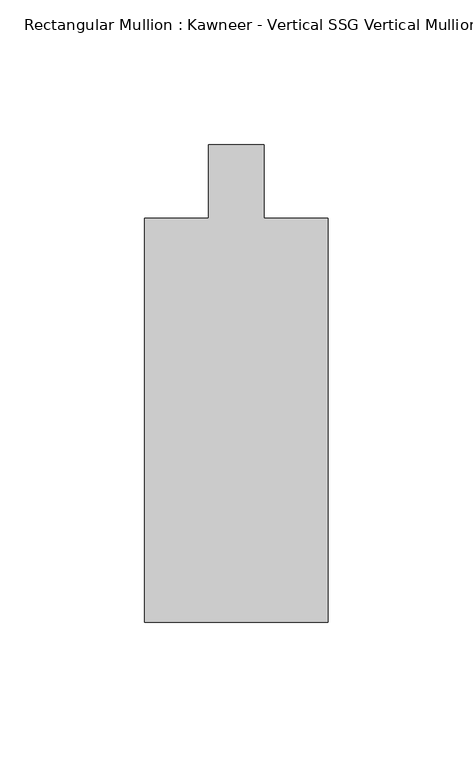
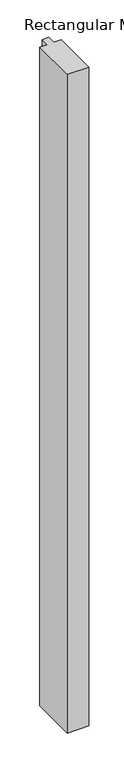
"""IFC4 building model written with IfcOpenShell, lengths in millimetres: member geometry."""

from ifc_helpers import new_model, si_unit, frame, origin, place, context, project, spatial, polyline, outline, extrude, source, transform, mapped, element, save


def member_4e3996ae(model_context):
    return source(origin(), model_context, "Body", "SweptSolid", [
        extrude(outline(polyline([(-31.75, -12.7), (-9.5251132, -12.7), (-9.5251132, 12.7), (9.5251132, 12.7), (9.5251132, -12.7), (31.75, -12.7), (31.75, -152.399995), (-31.75, -152.399995), (-31.75, -12.7)])), frame((0.0, 0.0, -2050.09299), z_axis=(0.0, 0.0, 1.0), x_axis=(1.0, 0.0, 0.0)), (0.0, 0.0, 1.0), 2050.09299),
    ])


if __name__ == "__main__":
    model = new_model("IFC4")
    model_context = context("Model", 3, world=origin())
    ifc_project = project(units=[si_unit("LENGTHUNIT", "METRE", prefix="MILLI")], contexts=[model_context])
    site = spatial("IfcSite", under=ifc_project)
    building = spatial("IfcBuilding", under=site)
    placement = place(None, origin())
    member_shape = member_4e3996ae(model_context)
    element("IfcMember", 1, ObjectType="Rectangular Mullion : Kawneer - Vertical SSG Vertical Mullion - 7 1/2\"", at=placement, inside=building, context=model_context, shape_type="MappedRepresentation", body=[
        mapped(member_shape, transform((0.0, 0.0, 0.0), x_axis=(1.0, 0.0, 0.0), y_axis=(0.0, 1.0, 0.0), z_axis=(0.0, 0.0, 1.0))),
    ])
    save(model, "model.ifc")
